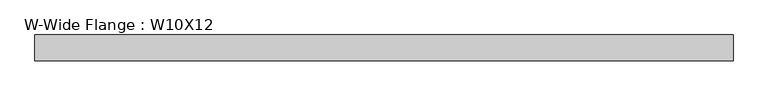
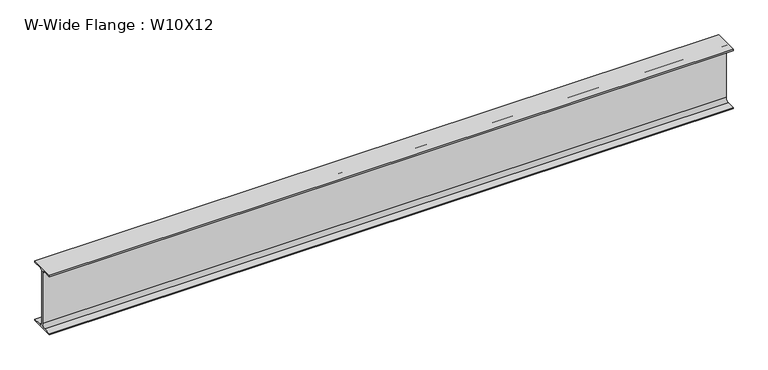
"""IFC4 building model written with IfcOpenShell, lengths in millimetres: beam geometry, W-Wide Flange : W10X12."""

from ifc_helpers import new_model, si_unit, point, frame, frame_2d, origin, place, context, project, spatial, polyline, circle_curve, trimmed, segment, composite_curve, outline, extrude, source, transform, mapped, element, save


def w_wide_flange_w10x12_c5b137cd(model_context):
    return source(origin(), model_context, "Body", "SweptSolid", [
        extrude(outline(composite_curve([segment(polyline([(50.3039062, -120.0050781), (50.3039062, -125.3628906), (-50.3039063, -125.3628906), (-50.3039063, -120.0050781), (-16.1230469, -120.0050781)]), True, "CONTINUOUS"), segment(trimmed(circle_curve(frame_2d((-16.1230469, -106.3128906)), 13.6921875), [point((-16.1230469, -120.0050781))], [point((-2.4308594, -106.3128906))], True, "CARTESIAN"), True, "CONTINUOUS"), segment(polyline([(-2.4308594, -106.3128906), (-2.4308594, 106.3128906)]), True, "CONTINUOUS"), segment(trimmed(circle_curve(frame_2d((-16.1230469, 106.3128906)), 13.6921875), [point((-2.4308594, 106.3128906))], [point((-16.1230469, 120.0050781))], True, "CARTESIAN"), True, "CONTINUOUS"), segment(polyline([(-16.1230469, 120.0050781), (-50.3039063, 120.0050781), (-50.3039063, 125.3628906), (50.3039062, 125.3628906), (50.3039062, 120.0050781), (16.1230469, 120.0050781)]), True, "CONTINUOUS"), segment(trimmed(circle_curve(frame_2d((16.1230469, 106.3128906)), 13.6921875), [point((16.1230469, 120.0050781))], [point((2.4308594, 106.3128906))], True, "CARTESIAN"), True, "CONTINUOUS"), segment(polyline([(2.4308594, 106.3128906), (2.4308594, -106.3128906)]), True, "CONTINUOUS"), segment(trimmed(circle_curve(frame_2d((16.1230469, -106.3128906)), 13.6921875), [point((2.4308594, -106.3128906))], [point((16.1230469, -120.0050781))], True, "CARTESIAN"), True, "CONTINUOUS"), segment(polyline([(16.1230469, -120.0050781), (50.3039062, -120.0050781)]), True, "CONTINUOUS")], self_intersect=False)), frame((-1352.153125, 0.0, 0.0), z_axis=(1.0, 0.0, 0.0), x_axis=(0.0, 1.0, 0.0)), (0.0, 0.0, 1.0), 2723.753125),
    ])


if __name__ == "__main__":
    model = new_model("IFC4")
    model_context = context("Model", 3, world=origin())
    ifc_project = project(units=[si_unit("LENGTHUNIT", "METRE", prefix="MILLI")], contexts=[model_context])
    site = spatial("IfcSite", under=ifc_project)
    building = spatial("IfcBuilding", under=site)
    placement = place(None, origin())
    w_wide_flange_w10x12_shape = w_wide_flange_w10x12_c5b137cd(model_context)
    element("IfcBeam", 1, ObjectType="W-Wide Flange : W10X12", at=placement, inside=building, context=model_context, shape_type="MappedRepresentation", body=[
        mapped(w_wide_flange_w10x12_shape, transform((0.0, 0.0, 0.0), x_axis=(1.0, 0.0, 0.0), y_axis=(0.0, 1.0, 0.0), z_axis=(0.0, 0.0, 1.0))),
    ])
    save(model, "model.ifc")
